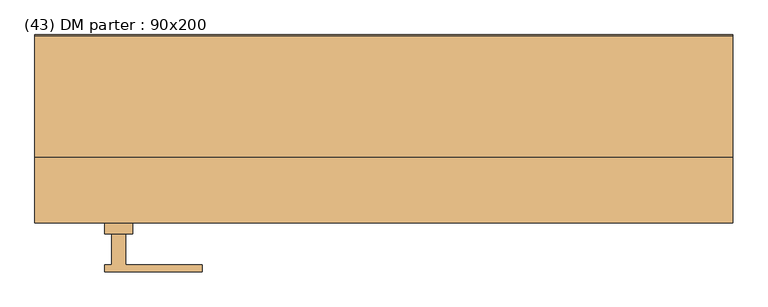
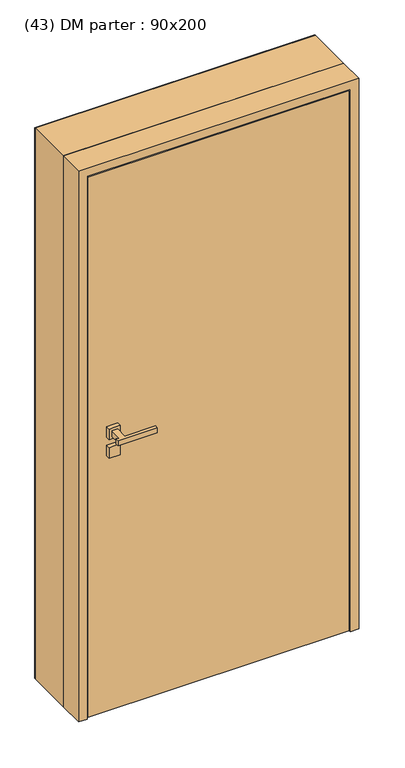
"""IFC4 building model written with IfcOpenShell, lengths in millimetres: door geometry, (43) DM parter : 90x200."""

from ifc_helpers import new_model, si_unit, frame, origin, place, context, project, spatial, polyline, outline, extrude, faceted_brep, source, transform, mapped, element, save


def door_43_dm_parter_90x200_4b8328fa(model_context):
    return source(origin(), model_context, "Body", "SolidModel", [
        extrude(outline(polyline([(-400.0, -30.0), (-360.0, -30.0), (-360.0, -45.0), (-400.0, -45.0), (-400.0, -30.0)])), frame((0.0, 0.0, 1137.5), z_axis=(0.0, 0.0, 1.0), x_axis=(1.0, 0.0, 0.0)), (0.0, 0.0, 1.0), 40.0),
        extrude(outline(polyline([(-360.0, -140.0), (-400.0, -140.0), (-400.0, -125.0), (-360.0, -125.0), (-360.0, -140.0)])), frame((0.0, 0.0, 1137.5), z_axis=(0.0, 0.0, 1.0), x_axis=(1.0, 0.0, 0.0)), (0.0, 0.0, 1.0), 40.0),
        extrude(outline(polyline([(-390.0, 15.0), (-400.0, 15.0), (-400.0, 25.0), (-260.0, 25.0), (-260.0, 15.0), (-370.0, 15.0), (-370.0, -30.0), (-390.0, -30.0), (-390.0, 15.0)])), frame((0.0, 0.0, 1217.5), z_axis=(0.0, 0.0, 1.0), x_axis=(1.0, 0.0, 0.0)), (0.0, 0.0, 1.0), 20.0),
        extrude(outline(polyline([(-400.0, -30.0), (-360.0, -30.0), (-360.0, -45.0), (-400.0, -45.0), (-400.0, -30.0)])), frame((0.0, 0.0, 1207.5), z_axis=(0.0, 0.0, 1.0), x_axis=(1.0, 0.0, 0.0)), (0.0, 0.0, 1.0), 40.0),
        extrude(outline(polyline([(-390.0, -185.0), (-390.0, -140.0), (-370.0, -140.0), (-370.0, -185.0), (-260.0, -185.0), (-260.0, -195.0), (-400.0, -195.0), (-400.0, -185.0), (-390.0, -185.0)])), frame((0.0, 0.0, 1217.5), z_axis=(0.0, 0.0, 1.0), x_axis=(1.0, 0.0, 0.0)), (0.0, 0.0, 1.0), 20.0),
        extrude(outline(polyline([(-360.0, -140.0), (-400.0, -140.0), (-400.0, -125.0), (-360.0, -125.0), (-360.0, -140.0)])), frame((0.0, 0.0, 1207.5), z_axis=(0.0, 0.0, 1.0), x_axis=(1.0, 0.0, 0.0)), (0.0, 0.0, 1.0), 40.0),
        extrude(outline(polyline([(-481.0, 144.0), (-500.0, 144.0), (-500.0, 145.0), (-480.0, 145.0), (-480.0, -30.0), (-481.0, -30.0), (-481.0, 144.0)])), frame((0.0, 0.0, 170.0), z_axis=(0.0, 0.0, 1.0), x_axis=(1.0, 0.0, 0.0)), (0.0, 0.0, 1.0), 600.0),
        extrude(outline(polyline([(481.0, 144.0), (481.0, -30.0), (480.0, -30.0), (480.0, 145.0), (500.0, 145.0), (500.0, 144.0), (481.0, 144.0)])), frame((0.0, 0.0, 170.0), z_axis=(0.0, 0.0, 1.0), x_axis=(1.0, 0.0, 0.0)), (0.0, 0.0, 1.0), 600.0),
        extrude(outline(polyline([(-450.0, -80.0), (-450.0, -30.0), (450.0, -30.0), (450.0, -80.0), (-450.0, -80.0)])), frame((0.0, 0.0, 170.0), z_axis=(0.0, 0.0, 1.0), x_axis=(1.0, 0.0, 0.0)), (0.0, 0.0, 1.0), 20.0),
        extrude(outline(polyline([(-450.0, -80.0), (-450.0, -30.0), (450.0, -30.0), (450.0, -80.0), (-450.0, -80.0)])), frame((0.0, 0.0, 170.0), z_axis=(0.0, 0.0, 1.0), x_axis=(1.0, 0.0, 0.0)), (0.0, 0.0, 1.0), 20.0),
        faceted_brep([(481.0, 144.0, 770.0), (481.0, -30.0, 770.0), (480.0, -30.0, 770.0), (480.0, 145.0, 770.0), (500.0, 145.0, 770.0), (500.0, 144.0, 770.0), (481.0, 144.0, 2226.0), (481.0, -30.0, 2226.0), (-481.0, -30.0, 2226.0), (-481.0, -30.0, 770.0), (-480.0, -30.0, 770.0), (-480.0, -30.0, 2225.0), (480.0, -30.0, 2225.0), (480.0, 145.0, 2225.0), (-480.0, 145.0, 2225.0), (-480.0, 145.0, 770.0), (-500.0, 145.0, 770.0), (-500.0, 145.0, 2245.0), (500.0, 145.0, 2245.0), (500.0, 144.0, 2245.0), (-500.0, 144.0, 2245.0), (-500.0, 144.0, 770.0), (-481.0, 144.0, 770.0), (-481.0, 144.0, 2226.0)], [[[0, 1, 2, 3, 4, 5]], [[1, 0, 6, 7]], [[2, 1, 7, 8, 9, 10, 11, 12]], [[3, 2, 12, 13]], [[4, 3, 13, 14, 15, 16, 17, 18]], [[5, 4, 18, 19]], [[0, 5, 19, 20, 21, 22, 23, 6]], [[8, 23, 22, 9]], [[22, 21, 16, 15, 10, 9]], [[14, 11, 10, 15]], [[20, 17, 16, 21]], [[7, 6, 23, 8]], [[13, 12, 11, 14]], [[19, 18, 17, 20]]]),
        extrude(outline(polyline([(170.0, -500.0), (170.0, -481.0), (2226.0, -481.0), (2226.0, 481.0), (170.0, 481.0), (170.0, 500.0), (2245.0, 500.0), (2245.0, -500.0), (170.0, -500.0)])), frame((0.0, -30.0, 0.0), z_axis=(0.0, 1.0, 0.0), x_axis=(0.0, 0.0, 1.0)), (0.0, 0.0, 1.0), 174.0),
        faceted_brep([(-500.0, -125.0, 170.0), (-500.0, -30.0, 170.0), (-450.0, -30.0, 170.0), (-450.0, -80.0, 170.0), (-470.0, -80.0, 170.0), (-470.0, -125.0, 170.0), (-500.0, -125.0, 2245.0), (-500.0, -30.0, 2245.0), (500.0, -30.0, 2245.0), (500.0, -30.0, 170.0), (450.0, -30.0, 170.0), (450.0, -30.0, 2195.0), (-450.0, -30.0, 2195.0), (-450.0, -80.0, 2195.0), (450.0, -80.0, 2195.0), (450.0, -80.0, 170.0), (470.0, -80.0, 170.0), (470.0, -80.0, 2215.0), (-470.0, -80.0, 2215.0), (-470.0, -125.0, 2215.0), (470.0, -125.0, 2215.0), (470.0, -125.0, 170.0), (500.0, -125.0, 170.0), (500.0, -125.0, 2245.0)], [[[0, 1, 2, 3, 4, 5]], [[1, 0, 6, 7]], [[2, 1, 7, 8, 9, 10, 11, 12]], [[3, 2, 12, 13]], [[4, 3, 13, 14, 15, 16, 17, 18]], [[5, 4, 18, 19]], [[0, 5, 19, 20, 21, 22, 23, 6]], [[8, 23, 22, 9]], [[22, 21, 16, 15, 10, 9]], [[14, 11, 10, 15]], [[20, 17, 16, 21]], [[7, 6, 23, 8]], [[13, 12, 11, 14]], [[19, 18, 17, 20]]]),
        faceted_brep([(445.0, -45.0, 2190.0), (445.0, -45.0, 195.0), (-445.0, -45.0, 195.0), (-445.0, -45.0, 2190.0), (445.0, -85.0, 2190.0), (445.0, -85.0, 195.0), (-445.0, -85.0, 195.0), (-445.0, -85.0, 2190.0), (465.0, -85.0, 2210.0), (465.0, -85.0, 175.0), (-465.0, -85.0, 175.0), (-465.0, -85.0, 2210.0), (465.0, -125.0, 2210.0), (465.0, -125.0, 175.0), (-465.0, -125.0, 175.0), (-465.0, -125.0, 2210.0)], [[[0, 1, 2, 3]], [[1, 0, 4, 5]], [[2, 1, 5, 6]], [[3, 2, 6, 7]], [[8, 9, 10, 11], [5, 4, 7, 6]], [[9, 8, 12, 13]], [[10, 9, 13, 14]], [[11, 10, 14, 15]], [[12, 15, 14, 13]], [[0, 3, 7, 4]], [[8, 11, 15, 12]]]),
    ])


if __name__ == "__main__":
    model = new_model("IFC4")
    model_context = context("Model", 3, world=origin())
    ifc_project = project(units=[si_unit("LENGTHUNIT", "METRE", prefix="MILLI")], contexts=[model_context])
    site = spatial("IfcSite", under=ifc_project)
    building = spatial("IfcBuilding", under=site)
    placement = place(None, origin())
    door_43_dm_parter_90x200_shape = door_43_dm_parter_90x200_4b8328fa(model_context)
    element("IfcDoor", 1, ObjectType="(43) DM parter : 90x200", at=placement, inside=building, context=model_context, shape_type="MappedRepresentation", body=[
        mapped(door_43_dm_parter_90x200_shape, transform((0.0, 0.0, 0.0), x_axis=(1.0, 0.0, 0.0), y_axis=(0.0, 1.0, 0.0), z_axis=(0.0, 0.0, 1.0))),
    ])
    save(model, "model.ifc")
